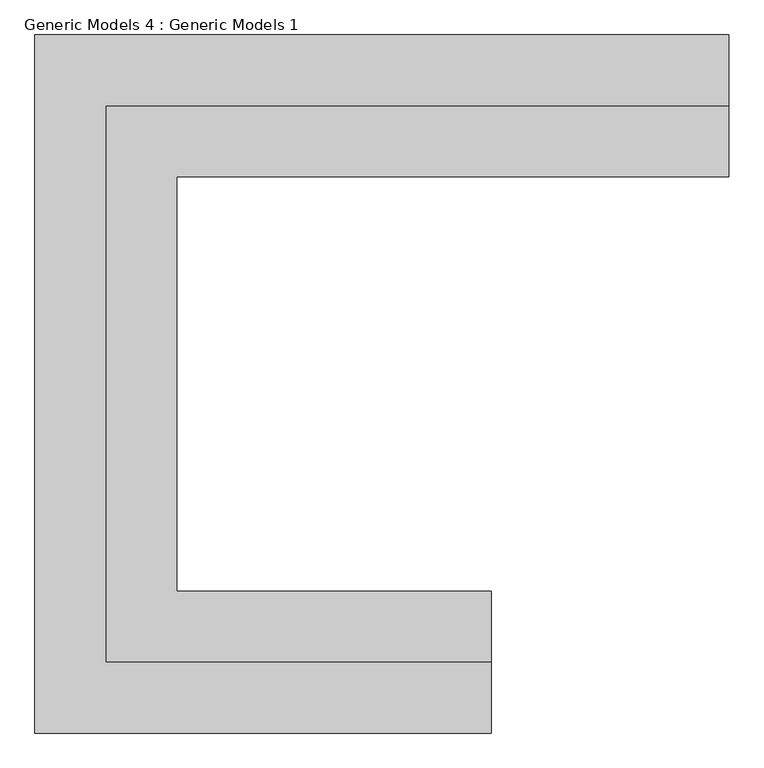
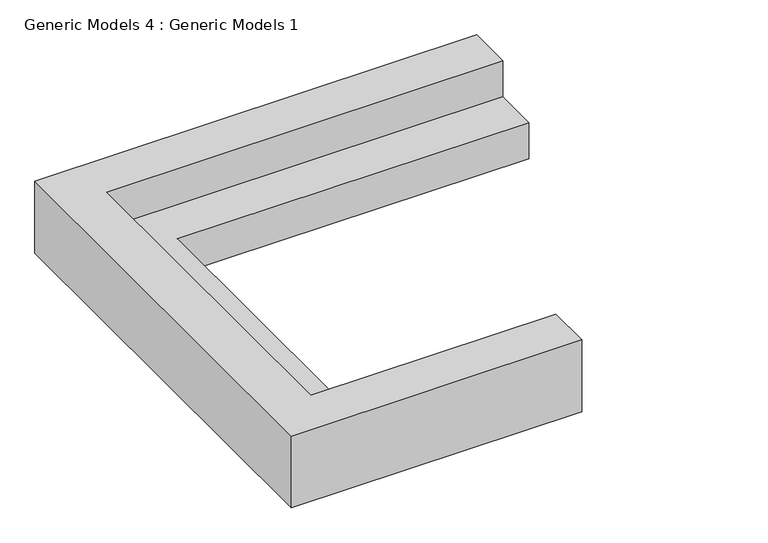
"""IFC4 building model written with IfcOpenShell, lengths in millimetres: proxy geometry, Generic Models 4 : Generic Models 1."""

import ifcopenshell
import ifcopenshell.guid

model = None  # the IFC model being written
_history = None  # IfcOwnerHistory: only IFC2X3 demands one
_inside = {}  # id of a spatial element -> (the spatial element, [elements in it])
_under = {}  # id of a project, library or spatial element -> (it, [spatial elements below it])
_declared = {}  # id of a project -> (the project, [libraries it declares])
_typed = {}  # id of a type object -> (the type object, [elements of that type])
_made_of = {}  # id of a material, layer set ... -> (it, [elements and type objects made of it])


def new_model(schema):
    """Start an empty IFC model of exactly this schema.

    Asked for "IFC4X3", IfcOpenShell would pick the latest addendum, in which some entities
    have other attributes; the version numbers below select the first issue.
    IFC2X3 requires an IfcOwnerHistory on every rooted entity: one is made here for all.
    """
    global model, _history
    if schema == "IFC4X3":
        model = ifcopenshell.file(schema_version=(4, 3, 0, 0))
    else:
        model = ifcopenshell.file(schema=schema)
    _inside.clear()
    _under.clear()
    _declared.clear()
    _typed.clear()
    _made_of.clear()
    _history = None
    if model.schema == "IFC2X3":
        org = make("IfcOrganization", Name="unknown")
        user = make(
            "IfcPersonAndOrganization",
            ThePerson=make("IfcPerson", FamilyName="unknown"),
            TheOrganization=org,
        )
        app = make(
            "IfcApplication",
            ApplicationDeveloper=org,
            Version="unknown",
            ApplicationFullName="unknown",
            ApplicationIdentifier="unknown",
        )
        _history = make(
            "IfcOwnerHistory",
            OwningUser=user,
            OwningApplication=app,
            ChangeAction="ADDED",
            CreationDate=0,
        )
    return model


def make(cls, **values):
    """One entity of the class cls with the attributes given. An attribute that is None is left unset."""
    return model.create_entity(
        cls, **{name: value for name, value in values.items() if value is not None}
    )


def rooted(cls, **values):
    """An entity with a GlobalId (a new one), such as an element, a storey or a relation."""
    return make(cls, GlobalId=ifcopenshell.guid.new(), OwnerHistory=_history, **values)


def si_unit(unit_type, name, prefix=None):
    """IfcSIUnit, for example si_unit("LENGTHUNIT", "METRE", prefix="MILLI")."""
    return make("IfcSIUnit", UnitType=unit_type, Prefix=prefix, Name=name)


def assignment(units):
    """IfcUnitAssignment: the units of a project."""
    return None if units is None else make("IfcUnitAssignment", Units=units)


def point(xyz):
    """IfcCartesianPoint."""
    return None if xyz is None else make("IfcCartesianPoint", Coordinates=xyz)


def direction(xyz):
    """IfcDirection."""
    return None if xyz is None else make("IfcDirection", DirectionRatios=xyz)


def frame(location, z_axis=None, x_axis=None):
    """IfcAxis2Placement3D, a coordinate frame: its origin and axes. An axis left out is left unset."""
    return make(
        "IfcAxis2Placement3D",
        Location=point(location),
        Axis=direction(z_axis),
        RefDirection=direction(x_axis),
    )


def origin():
    """The frame at (0, 0, 0) with its axes left unset."""
    return frame((0.0, 0.0, 0.0))


def origin_with_axes():
    """The frame at (0, 0, 0) with the z axis (0, 0, 1) and the x axis (1, 0, 0) written out."""
    return frame((0.0, 0.0, 0.0), z_axis=(0.0, 0.0, 1.0), x_axis=(1.0, 0.0, 0.0))


def place(relative_to, where):
    """IfcLocalPlacement: puts the frame where relative to a parent placement (None: the world)."""
    return make(
        "IfcLocalPlacement", PlacementRelTo=relative_to, RelativePlacement=where
    )


def context(
    kind, dimensions, precision=None, world=None, true_north=None, identifier=None
):
    """IfcGeometricRepresentationContext, for example the 3D "Model" context."""
    return make(
        "IfcGeometricRepresentationContext",
        ContextIdentifier=identifier,
        ContextType=kind,
        CoordinateSpaceDimension=dimensions,
        Precision=precision,
        WorldCoordinateSystem=world,
        TrueNorth=true_north,
    )


def project(units=None, contexts=None):
    """IfcProject with its units and contexts."""
    return rooted(
        "IfcProject",
        Name="project",
        RepresentationContexts=contexts,
        UnitsInContext=assignment(units),
    )


def spatial(cls, under=None, at=None, **own):
    """A site, building, storey or space (cls), placed at a placement, below another one or the project."""
    s = rooted(cls, ObjectPlacement=at, **own)
    if under is not None:
        _under.setdefault(under.id(), (under, []))[1].append(s)
    return s


def polyline(points):
    """IfcPolyline through the points."""
    return make("IfcPolyline", Points=[point(p) for p in points])


def outline(outer, holes=None, kind="AREA"):
    """IfcArbitraryClosedProfileDef: a profile drawn as a closed curve; with holes, ...WithVoids."""
    if holes is None:
        return make("IfcArbitraryClosedProfileDef", ProfileType=kind, OuterCurve=outer)
    return make(
        "IfcArbitraryProfileDefWithVoids",
        ProfileType=kind,
        OuterCurve=outer,
        InnerCurves=holes,
    )


def extrude(swept, where, along, depth):
    """IfcExtrudedAreaSolid: the profile swept, set in the frame where, extruded along a direction by depth."""
    return make(
        "IfcExtrudedAreaSolid",
        SweptArea=swept,
        Position=where,
        ExtrudedDirection=direction(along),
        Depth=depth,
    )


def shape(context_of_items, identifier, shape_type, items):
    """IfcShapeRepresentation: the items that make up one representation, for example the "Body"."""
    return make(
        "IfcShapeRepresentation",
        ContextOfItems=context_of_items,
        RepresentationIdentifier=identifier,
        RepresentationType=shape_type,
        Items=items,
    )


def source(mapping_origin, context_of_items, identifier, shape_type, items):
    """IfcRepresentationMap: a shape defined once, which mapped items show again and again."""
    return make(
        "IfcRepresentationMap",
        MappingOrigin=mapping_origin,
        MappedRepresentation=shape(context_of_items, identifier, shape_type, items),
    )


def transform(
    local_origin,
    x_axis=None,
    y_axis=None,
    z_axis=None,
    scale=None,
    scale2=None,
    scale3=None,
    uniform=True,
):
    """IfcCartesianTransformationOperator3D, or its non-uniform kind. x_axis, y_axis, z_axis: its Axis1, 2, 3."""
    if uniform:
        return make(
            "IfcCartesianTransformationOperator3D",
            Axis1=direction(x_axis),
            Axis2=direction(y_axis),
            LocalOrigin=point(local_origin),
            Scale=scale,
            Axis3=direction(z_axis),
        )
    return make(
        "IfcCartesianTransformationOperator3DnonUniform",
        Axis1=direction(x_axis),
        Axis2=direction(y_axis),
        LocalOrigin=point(local_origin),
        Scale=scale,
        Axis3=direction(z_axis),
        Scale2=scale2,
        Scale3=scale3,
    )


def mapped(mapping_source, mapping_target):
    """IfcMappedItem: shows the shape of a source again, moved by a transform."""
    return make(
        "IfcMappedItem", MappingSource=mapping_source, MappingTarget=mapping_target
    )


def made_of(thing, what):
    """Note that an element or type object is made of a material, layer set ...; save() writes the relation."""
    if what is not None:
        _made_of.setdefault(what.id(), (what, []))[1].append(thing)
    return thing


def element(
    cls,
    number,
    at=None,
    inside=None,
    cuts=None,
    type_object=None,
    material=None,
    context=None,
    identifier="Body",
    shape_type=None,
    held_by="IfcProductDefinitionShape",
    body=None,
    shapes=None,
    **own,
):
    """One element of the class cls, such as IfcWall. Its Tag is "e" and its number.

    at: its placement. inside: the storey or other place that contains it. cuts: it is an
    opening in that element (IfcRelVoidsElement). A single representation is given by context,
    identifier, shape_type and body (its items); several are given by shapes. held_by: the class
    of the entity that holds the representations. save() writes the other relations.
    """
    e = rooted(cls, Tag="e%d" % number, ObjectPlacement=at, **own)
    if body is not None:
        shapes = [shape(context, identifier, shape_type, body)]
    if shapes is not None:
        e.Representation = make(held_by, Representations=shapes)
    if inside is not None:
        _inside.setdefault(inside.id(), (inside, []))[1].append(e)
    if cuts is not None:
        rooted(
            "IfcRelVoidsElement", RelatingBuildingElement=cuts, RelatedOpeningElement=e
        )
    if type_object is not None:
        _typed.setdefault(type_object.id(), (type_object, []))[1].append(e)
    return made_of(e, material)


def aggregate(whole, parts):
    """IfcRelAggregates: a whole, such as a stair, and the parts it consists of."""
    return rooted("IfcRelAggregates", RelatingObject=whole, RelatedObjects=parts)


def save(model, path):
    """Write the relations noted so far, then the file.

    IfcRelAggregates (storeys below a building ...), IfcRelContainedInSpatialStructure (elements
    in a storey), IfcRelDefinesByType, IfcRelAssociatesMaterial and IfcRelDeclares: one each for
    every whole, place, type object, material and project.
    """
    for whole, parts in _under.values():
        aggregate(whole, parts)
    for where, things in _inside.values():
        rooted(
            "IfcRelContainedInSpatialStructure",
            RelatedElements=things,
            RelatingStructure=where,
        )
    for kind, things in _typed.values():
        rooted("IfcRelDefinesByType", RelatedObjects=things, RelatingType=kind)
    for what, things in _made_of.values():
        rooted("IfcRelAssociatesMaterial", RelatedObjects=things, RelatingMaterial=what)
    for by, libraries in _declared.values():
        rooted("IfcRelDeclares", RelatingContext=by, RelatedDefinitions=libraries)
    model.write(path)


def generic_models_4_generic_models_1_34b63ed7(model_context):
    return source(origin(), model_context, "Body", "SweptSolid", [
        extrude(outline(polyline([(451838.8004676, -201133.8488632), (451838.8004676, -197344.5205223), (456080.6004676, -197344.5205223), (456080.6004676, -197827.1205223), (452321.4004676, -197827.1205223), (452321.4004676, -200651.2488632), (454462.9250807, -200651.2488632), (454462.9250807, -201133.8488632), (451838.8004676, -201133.8488632)])), origin_with_axes(), (0.0, 0.0, 1.0), 406.4),
        extrude(outline(polyline([(451838.8004676, -197344.5205223), (451838.8004676, -201133.8488632), (454462.9250807, -201133.8488632), (454462.9250807, -201616.4488632), (451356.2004676, -201616.4488632), (451356.2004676, -196861.9205223), (456080.6004676, -196861.9205223), (456080.6004676, -197344.5205223), (451838.8004676, -197344.5205223)])), origin_with_axes(), (0.0, 0.0, 1.0), 812.8),
    ])


if __name__ == "__main__":
    model = new_model("IFC4")
    model_context = context("Model", 3, world=origin())
    ifc_project = project(units=[si_unit("LENGTHUNIT", "METRE", prefix="MILLI")], contexts=[model_context])
    site = spatial("IfcSite", under=ifc_project)
    building = spatial("IfcBuilding", under=site)
    placement = place(None, origin())
    generic_models_4_generic_models_1_shape = generic_models_4_generic_models_1_34b63ed7(model_context)
    element("IfcBuildingElementProxy", 1, Name="Generic Models 4 : Generic Models 1", ObjectType="Generic Models 4 : Generic Models 1", at=placement, inside=building, context=model_context, shape_type="MappedRepresentation", body=[
        mapped(generic_models_4_generic_models_1_shape, transform((0.0, 0.0, 0.0), x_axis=(1.0, 0.0, 0.0), y_axis=(0.0, 1.0, 0.0), z_axis=(0.0, 0.0, 1.0))),
    ])
    save(model, "model.ifc")
